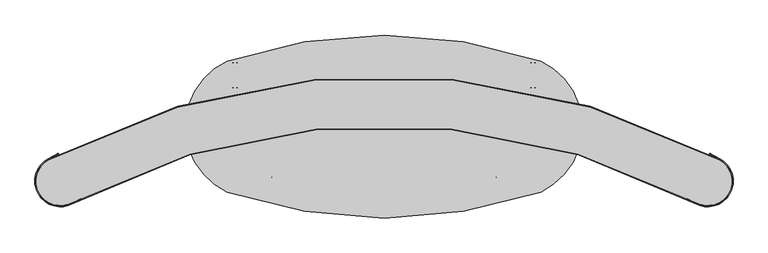
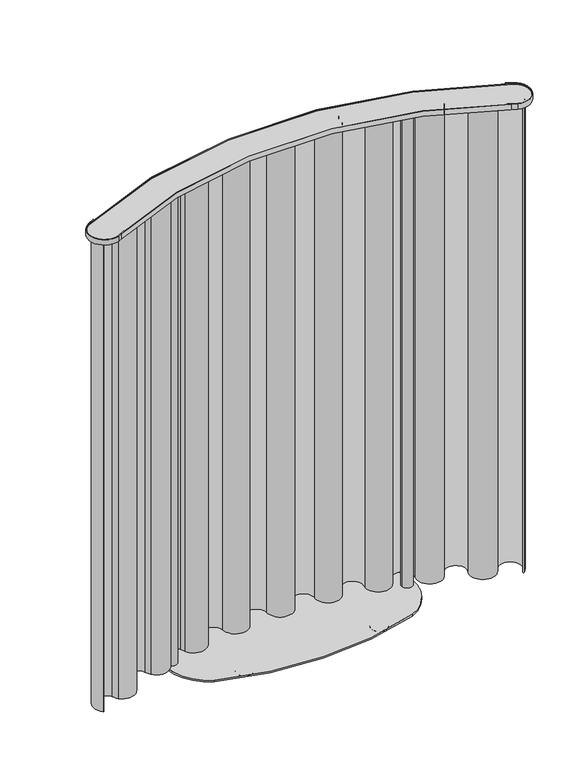
"""IFC4 building model written with IfcOpenShell, lengths in millimetres: furniture geometry."""

from ifc_helpers import new_model, si_unit, point, frame, frame_2d, origin, place, context, project, spatial, polyline, circle_curve, ellipse_curve, trimmed, segment, composite_curve, outline, extrude, source, transform, mapped, element, save
from ifc_brep_helpers import plane_surface, revolved_surface, advanced_brep


def furniture_fe4dd200(model_context):
    return source(origin(), model_context, "Body", "SolidModel", [
        advanced_brep(
        [(223.6676041, -204.1449041, 0.0006183), (276.0344658, -204.1449041, 0.0006183), (249.851035, -204.1449041, 0.0006183), (249.851035, -204.1449041, 6.17), (280.8142517, -204.1449041, 6.17), (218.8878183, -204.1449041, 6.17)],
        [
            (0, 1, circle_curve(frame((249.851035, -204.1449041, 0.0006183), z_axis=(0.0, 0.0, -1.0), x_axis=(1.0, 0.0, 0.0)), 26.1834309)),
            (1, 2),
            (2, 0),
            (1, 0, circle_curve(frame((249.851035, -204.1449041, 0.0006183), z_axis=(0.0, 0.0, -1.0), x_axis=(1.0, 0.0, 0.0)), 26.1834309)),
            (3, 4),
            (4, 5, circle_curve(frame((249.851035, -204.1449041, 6.17), z_axis=(0.0, 0.0, 1.0), x_axis=(1.0, 0.0, 0.0)), 30.9632167)),
            (5, 3),
            (5, 4, circle_curve(frame((249.851035, -204.1449041, 6.17), z_axis=(0.0, 0.0, 1.0), x_axis=(1.0, 0.0, 0.0)), 30.9632167)),
            (4, 1, circle_curve(frame((276.0344658, -204.1449041, 4.936901), z_axis=(0.0, 1.0, 0.0), x_axis=(-1.0, 0.0, 0.0)), 4.9362826)),
            (0, 5, circle_curve(frame((223.6676041, -204.1449041, 4.936901), z_axis=(0.0, 1.0, 0.0), x_axis=(1.0, 0.0, 0.0)), 4.9362826)),
        ],
        [
            plane_surface(frame((249.851035, -204.1449041, 0.0006183), z_axis=(0.0, 0.0, -1.0), x_axis=(1.0, 0.0, 0.0))),
            plane_surface(frame((249.851035, -204.1449041, 6.17), z_axis=(0.0, 0.0, 1.0), x_axis=(1.0, 0.0, 0.0))),
            revolved_surface(trimmed(ellipse_curve(frame((276.0344658, -204.1449041, 4.936901), z_axis=(0.0, -1.0, 0.0), x_axis=(-1.0, 0.0, 0.0)), 4.9362826, 4.9362826), [point((276.0344658, -204.1449041, 0.0006183))], [point((280.8142517, -204.1449041, 6.17))], True, "CARTESIAN"), (249.851035, -204.1449041, 6.17), (0.0, 0.0, 1.0)),
        ],
        [
            (0, [[1, 2, 3]]),
            (0, [[4, -3, -2]]),
            (1, [[5, 6, 7]]),
            (1, [[-7, 8, -5]]),
            (2, [[-6, 9, -1, 10]]),
            (2, [[-8, -10, -4, -9]]),
        ],
    ),
        advanced_brep(
        [(323.7526576, 62.0181648, 0.0006183), (376.1195193, 62.0181648, 0.0006183), (349.9360884, 62.0181648, 0.0006183), (349.9360884, 62.0181648, 6.17), (380.8993051, 62.0181648, 6.17), (318.9728717, 62.0181648, 6.17)],
        [
            (0, 1, circle_curve(frame((349.9360884, 62.0181648, 0.0006183), z_axis=(0.0, 0.0, -1.0), x_axis=(1.0, 0.0, 0.0)), 26.1834309)),
            (1, 2),
            (2, 0),
            (1, 0, circle_curve(frame((349.9360884, 62.0181648, 0.0006183), z_axis=(0.0, 0.0, -1.0), x_axis=(1.0, 0.0, 0.0)), 26.1834309)),
            (3, 4),
            (4, 5, circle_curve(frame((349.9360884, 62.0181648, 6.17), z_axis=(0.0, 0.0, 1.0), x_axis=(1.0, 0.0, 0.0)), 30.9632167)),
            (5, 3),
            (5, 4, circle_curve(frame((349.9360884, 62.0181648, 6.17), z_axis=(0.0, 0.0, 1.0), x_axis=(1.0, 0.0, 0.0)), 30.9632167)),
            (4, 1, circle_curve(frame((376.1195193, 62.0181648, 4.936901), z_axis=(0.0, 1.0, 0.0), x_axis=(-1.0, 0.0, 0.0)), 4.9362826)),
            (0, 5, circle_curve(frame((323.7526576, 62.0181648, 4.936901), z_axis=(0.0, 1.0, 0.0), x_axis=(1.0, 0.0, 0.0)), 4.9362826)),
        ],
        [
            plane_surface(frame((349.9360884, 62.0181648, 0.0006183), z_axis=(0.0, 0.0, -1.0), x_axis=(1.0, 0.0, 0.0))),
            plane_surface(frame((349.9360884, 62.0181648, 6.17), z_axis=(0.0, 0.0, 1.0), x_axis=(1.0, 0.0, 0.0))),
            revolved_surface(trimmed(ellipse_curve(frame((376.1195193, 62.0181648, 4.936901), z_axis=(0.0, -1.0, 0.0), x_axis=(-1.0, 0.0, 0.0)), 4.9362826, 4.9362826), [point((376.1195193, 62.0181648, 0.0006183))], [point((380.8993051, 62.0181648, 6.17))], True, "CARTESIAN"), (349.9360884, 62.0181648, 6.17), (0.0, 0.0, 1.0)),
        ],
        [
            (0, [[1, 2, 3]]),
            (0, [[4, -3, -2]]),
            (1, [[5, 6, 7]]),
            (1, [[-7, 8, -5]]),
            (2, [[-6, 9, -1, 10]]),
            (2, [[-8, -10, -4, -9]]),
        ],
    ),
        advanced_brep(
        [(-249.851035, -204.1449041, 0.0006183), (-276.0344658, -204.1449041, 0.0006183), (-223.6676041, -204.1449041, 0.0006183), (-218.8878183, -204.1449041, 6.17), (-280.8142517, -204.1449041, 6.17), (-249.851035, -204.1449041, 6.17)],
        [
            (0, 1),
            (1, 2, circle_curve(frame((-249.851035, -204.1449041, 0.0006183), z_axis=(0.0, 0.0, -1.0), x_axis=(-1.0, 0.0, 0.0)), 26.1834309)),
            (2, 0),
            (2, 1, circle_curve(frame((-249.851035, -204.1449041, 0.0006183), z_axis=(0.0, 0.0, -1.0), x_axis=(-1.0, 0.0, 0.0)), 26.1834309)),
            (3, 4, circle_curve(frame((-249.851035, -204.1449041, 6.17), z_axis=(0.0, 0.0, 1.0), x_axis=(-1.0, 0.0, 0.0)), 30.9632167)),
            (4, 5),
            (5, 3),
            (4, 3, circle_curve(frame((-249.851035, -204.1449041, 6.17), z_axis=(0.0, 0.0, 1.0), x_axis=(-1.0, 0.0, 0.0)), 30.9632167)),
            (1, 4, circle_curve(frame((-276.0344658, -204.1449041, 4.936901), z_axis=(0.0, 1.0, 0.0), x_axis=(1.0, 0.0, 0.0)), 4.9362826)),
            (3, 2, circle_curve(frame((-223.6676041, -204.1449041, 4.936901), z_axis=(0.0, 1.0, 0.0), x_axis=(-1.0, 0.0, 0.0)), 4.9362826)),
        ],
        [
            plane_surface(frame((-249.851035, -204.1449041, 0.0006183), z_axis=(0.0, 0.0, -1.0), x_axis=(-1.0, 0.0, 0.0))),
            plane_surface(frame((-249.851035, -204.1449041, 6.17), z_axis=(0.0, 0.0, 1.0), x_axis=(-1.0, 0.0, 0.0))),
            revolved_surface(trimmed(ellipse_curve(frame((-276.0344658, -204.1449041, 4.936901), z_axis=(0.0, -1.0, 0.0), x_axis=(1.0, 0.0, 0.0)), 4.9362826, 4.9362826), [point((-280.8142517, -204.1449041, 6.17))], [point((-276.0344658, -204.1449041, 0.0006183))], True, "CARTESIAN"), (-249.851035, -204.1449041, 6.17), (0.0, 0.0, -1.0)),
        ],
        [
            (0, [[1, 2, 3]]),
            (0, [[-3, 4, -1]]),
            (1, [[5, 6, 7]]),
            (1, [[8, -7, -6]]),
            (2, [[-2, 9, -5, 10]]),
            (2, [[-4, -10, -8, -9]]),
        ],
    ),
        advanced_brep(
        [(-349.9360884, 62.0181648, 0.0006183), (-376.1195193, 62.0181648, 0.0006183), (-323.7526576, 62.0181648, 0.0006183), (-318.9728717, 62.0181648, 6.17), (-380.8993051, 62.0181648, 6.17), (-349.9360884, 62.0181648, 6.17)],
        [
            (0, 1),
            (1, 2, circle_curve(frame((-349.9360884, 62.0181648, 0.0006183), z_axis=(0.0, 0.0, -1.0), x_axis=(-1.0, 0.0, 0.0)), 26.1834309)),
            (2, 0),
            (2, 1, circle_curve(frame((-349.9360884, 62.0181648, 0.0006183), z_axis=(0.0, 0.0, -1.0), x_axis=(-1.0, 0.0, 0.0)), 26.1834309)),
            (3, 4, circle_curve(frame((-349.9360884, 62.0181648, 6.17), z_axis=(0.0, 0.0, 1.0), x_axis=(-1.0, 0.0, 0.0)), 30.9632167)),
            (4, 5),
            (5, 3),
            (4, 3, circle_curve(frame((-349.9360884, 62.0181648, 6.17), z_axis=(0.0, 0.0, 1.0), x_axis=(-1.0, 0.0, 0.0)), 30.9632167)),
            (1, 4, circle_curve(frame((-376.1195193, 62.0181648, 4.936901), z_axis=(0.0, 1.0, 0.0), x_axis=(1.0, 0.0, 0.0)), 4.9362826)),
            (3, 2, circle_curve(frame((-323.7526576, 62.0181648, 4.936901), z_axis=(0.0, 1.0, 0.0), x_axis=(-1.0, 0.0, 0.0)), 4.9362826)),
        ],
        [
            plane_surface(frame((-349.9360884, 62.0181648, 0.0006183), z_axis=(0.0, 0.0, -1.0), x_axis=(-1.0, 0.0, 0.0))),
            plane_surface(frame((-349.9360884, 62.0181648, 6.17), z_axis=(0.0, 0.0, 1.0), x_axis=(-1.0, 0.0, 0.0))),
            revolved_surface(trimmed(ellipse_curve(frame((-376.1195193, 62.0181648, 4.936901), z_axis=(0.0, -1.0, 0.0), x_axis=(1.0, 0.0, 0.0)), 4.9362826, 4.9362826), [point((-380.8993051, 62.0181648, 6.17))], [point((-376.1195193, 62.0181648, 0.0006183))], True, "CARTESIAN"), (-349.9360884, 62.0181648, 6.17), (0.0, 0.0, -1.0)),
        ],
        [
            (0, [[1, 2, 3]]),
            (0, [[-3, 4, -1]]),
            (1, [[5, 6, 7]]),
            (1, [[8, -7, -6]]),
            (2, [[-2, 9, -5, 10]]),
            (2, [[-4, -10, -8, -9]]),
        ],
    ),
        extrude(outline(composite_curve([segment(trimmed(circle_curve(frame_2d((0.0, -1631.7782202)), 1573.9383732), [point((-740.9424229, -243.1507221))], [point((-711.7743513, -227.976498))], False, "CARTESIAN"), True, "CONTINUOUS"), segment(polyline([(-711.7743513, -227.976498), (-711.2076696, -229.1130917)]), True, "CONTINUOUS"), segment(trimmed(circle_curve(frame_2d((0.0, -1631.7782202)), 1572.6683732), [point((-711.2076696, -229.1130917))], [point((-740.4341068, -244.3189792))], True, "CARTESIAN"), True, "CONTINUOUS"), segment(trimmed(circle_curve(frame_2d((-760.0357532, -187.3644987)), 60.2331918), [point((-740.4341068, -244.3189792))], [point((-788.1138639, -134.0760657))], False, "CARTESIAN"), True, "CONTINUOUS"), segment(trimmed(circle_curve(frame_2d((0.0, -1629.808925)), 1690.6626656), [point((-788.1138639, -134.0760657))], [point((-764.641346, -121.941603))], False, "CARTESIAN"), True, "CONTINUOUS"), segment(polyline([(-764.641346, -121.941603), (-764.0746671, -123.0781987)]), True, "CONTINUOUS"), segment(trimmed(circle_curve(frame_2d((0.0, -1629.808925)), 1689.3926656), [point((-764.0746671, -123.0781987))], [point((-787.5218448, -135.1996374))], True, "CARTESIAN"), True, "CONTINUOUS"), segment(trimmed(circle_curve(frame_2d((-760.0357532, -187.3644987)), 58.9631918), [point((-787.5218448, -135.1996374))], [point((-740.9424229, -243.1507221))], True, "CARTESIAN"), True, "CONTINUOUS")], self_intersect=False)), frame((0.0, 0.0, 1883.9999737), z_axis=(0.0, 0.0, 1.0), x_axis=(1.0, 0.0, 0.0)), (0.0, 0.0, 1.0), 21.0000263),
        extrude(outline(composite_curve([segment(trimmed(circle_curve(frame_2d((760.0357532, -187.3644987)), 58.9631918), [point((740.9424229, -243.1507221))], [point((787.5218448, -135.1996374))], True, "CARTESIAN"), True, "CONTINUOUS"), segment(trimmed(circle_curve(frame_2d((0.0, -1629.808925)), 1689.3926656), [point((787.5218448, -135.1996374))], [point((764.0746671, -123.0781987))], True, "CARTESIAN"), True, "CONTINUOUS"), segment(polyline([(764.0746671, -123.0781987), (764.641346, -121.941603)]), True, "CONTINUOUS"), segment(trimmed(circle_curve(frame_2d((0.0, -1629.808925)), 1690.6626656), [point((764.641346, -121.941603))], [point((788.1138639, -134.0760657))], False, "CARTESIAN"), True, "CONTINUOUS"), segment(trimmed(circle_curve(frame_2d((760.0357532, -187.3644987)), 60.2331918), [point((788.1138639, -134.0760657))], [point((740.4341068, -244.3189792))], False, "CARTESIAN"), True, "CONTINUOUS"), segment(trimmed(circle_curve(frame_2d((0.0, -1631.7782202)), 1572.6683732), [point((740.4341068, -244.3189792))], [point((711.2076696, -229.1130917))], True, "CARTESIAN"), True, "CONTINUOUS"), segment(polyline([(711.2076696, -229.1130917), (711.7743513, -227.976498)]), True, "CONTINUOUS"), segment(trimmed(circle_curve(frame_2d((0.0, -1631.7782202)), 1573.9383732), [point((711.7743513, -227.976498))], [point((740.9424229, -243.1507221))], False, "CARTESIAN"), True, "CONTINUOUS")], self_intersect=False)), frame((0.0, 0.0, 1883.9999737), z_axis=(0.0, 0.0, 1.0), x_axis=(1.0, 0.0, 0.0)), (0.0, 0.0, 1.0), 21.0000263),
        extrude(outline(composite_curve([segment(trimmed(circle_curve(frame_2d((760.0357532, -187.3644987)), 58.9631918), [point((787.5218448, -135.1996374))], [point((740.9424229, -243.1507221))], False, "CARTESIAN"), True, "CONTINUOUS"), segment(trimmed(circle_curve(frame_2d((0.0, -1631.7782202)), 1573.9383732), [point((740.9424229, -243.1507221))], [point((-740.9424229, -243.1507221))], True, "CARTESIAN"), True, "CONTINUOUS"), segment(trimmed(circle_curve(frame_2d((-760.0357532, -187.3644987)), 58.9631918), [point((-740.9424229, -243.1507221))], [point((-787.5218448, -135.1996374))], False, "CARTESIAN"), True, "CONTINUOUS"), segment(trimmed(circle_curve(frame_2d((0.0, -1629.808925)), 1689.3926656), [point((-787.5218448, -135.1996374))], [point((787.5218448, -135.1996374))], False, "CARTESIAN"), True, "CONTINUOUS")], self_intersect=False), holes=[composite_curve([segment(trimmed(circle_curve(frame_2d((-760.0357532, -187.3644987)), 57.0581918), [point((-786.6338161, -136.884995))], [point((-741.7029831, -241.3973293))], True, "CARTESIAN"), True, "CONTINUOUS"), segment(trimmed(circle_curve(frame_2d((0.0, -1631.7782202)), 1575.8433732), [point((-741.7029831, -241.3973293))], [point((741.7029831, -241.3973293))], False, "CARTESIAN"), True, "CONTINUOUS"), segment(trimmed(circle_curve(frame_2d((760.0357532, -187.3644987)), 57.0581918), [point((741.7029831, -241.3973293))], [point((786.6338161, -136.884995))], True, "CARTESIAN"), True, "CONTINUOUS"), segment(trimmed(circle_curve(frame_2d((0.0, -1629.808925)), 1687.4876656), [point((786.6338161, -136.884995))], [point((-786.6338161, -136.884995))], True, "CARTESIAN"), True, "CONTINUOUS")], self_intersect=False)]), frame((0.0, 0.0, 1883.9999737), z_axis=(0.0, 0.0, 1.0), x_axis=(1.0, 0.0, 0.0)), (0.0, 0.0, 1.0), 20.0199989),
        extrude(outline(composite_curve([segment(trimmed(circle_curve(frame_2d((-436.9991265, -58.5034102)), 20.32), [point((-457.3191265, -58.5034102))], [point((-416.6791265, -58.5034102))], False, "CARTESIAN"), True, "CONTINUOUS"), segment(trimmed(circle_curve(frame_2d((-436.9991265, -58.5034102)), 20.32), [point((-416.6791265, -58.5034102))], [point((-457.3191265, -58.5034102))], False, "CARTESIAN"), True, "CONTINUOUS")], self_intersect=False)), frame((0.0, 0.0, 12.5200002), z_axis=(0.0, 0.0, 1.0), x_axis=(1.0, 0.0, 0.0)), (0.0, 0.0, 1.0), 1871.4799734),
        extrude(outline(composite_curve([segment(trimmed(circle_curve(frame_2d((436.9991265, -58.5034102)), 20.32), [point((457.3191265, -58.5034102))], [point((416.6791265, -58.5034102))], False, "CARTESIAN"), True, "CONTINUOUS"), segment(trimmed(circle_curve(frame_2d((436.9991265, -58.5034102)), 20.32), [point((416.6791265, -58.5034102))], [point((457.3191265, -58.5034102))], False, "CARTESIAN"), True, "CONTINUOUS")], self_intersect=False)), frame((0.0, 0.0, 12.5200002), z_axis=(0.0, 0.0, 1.0), x_axis=(1.0, 0.0, 0.0)), (0.0, 0.0, 1.0), 1871.4799734),
        extrude(outline(composite_curve([segment(trimmed(circle_curve(frame_2d((760.0357532, -187.3644987)), 57.0581918), [point((786.6338161, -136.884995))], [point((741.7029831, -241.3973293))], False, "CARTESIAN"), True, "CONTINUOUS"), segment(trimmed(circle_curve(frame_2d((0.0, -1631.7782202)), 1575.8433732), [point((741.7029831, -241.3973293))], [point((-741.7029831, -241.3973293))], True, "CARTESIAN"), True, "CONTINUOUS"), segment(trimmed(circle_curve(frame_2d((-760.0357532, -187.3644987)), 57.0581918), [point((-741.7029831, -241.3973293))], [point((-786.6338161, -136.884995))], False, "CARTESIAN"), True, "CONTINUOUS"), segment(trimmed(circle_curve(frame_2d((0.0, -1629.808925)), 1687.4876656), [point((-786.6338161, -136.884995))], [point((786.6338161, -136.884995))], False, "CARTESIAN"), True, "CONTINUOUS")], self_intersect=False)), frame((0.0, 0.0, 1883.9999737), z_axis=(0.0, 0.0, 1.0), x_axis=(1.0, 0.0, 0.0)), (0.0, 0.0, 1.0), 17.0200367),
        extrude(outline(composite_curve([segment(trimmed(circle_curve(frame_2d((296.8203978, -58.7911865)), 169.2621942), [point((368.1176468, 94.7223069))], [point((368.1176468, -212.3046799))], False, "CARTESIAN"), True, "CONTINUOUS"), segment(trimmed(circle_curve(frame_2d((0.0, 866.1870115)), 1139.5854203), [point((368.1176468, -212.3046799))], [point((-368.1176468, -212.3046799))], False, "CARTESIAN"), True, "CONTINUOUS"), segment(trimmed(circle_curve(frame_2d((-297.623049, -58.7911865)), 168.925667), [point((-368.1176468, -212.3046799))], [point((-368.1176468, 94.7223069))], False, "CARTESIAN"), True, "CONTINUOUS"), segment(trimmed(circle_curve(frame_2d((0.0, -972.9486791)), 1129.3502275), [point((-368.1176468, 94.7223069))], [point((368.1176468, 94.7223069))], False, "CARTESIAN"), True, "CONTINUOUS")], self_intersect=False)), frame((0.0, 0.0, 6.17), z_axis=(0.0, 0.0, 1.0), x_axis=(1.0, 0.0, 0.0)), (0.0, 0.0, 1.0), 6.3500002),
        extrude(outline(composite_curve([segment(trimmed(circle_curve(frame_2d((-749.6663834, -180.1706573)), 42.7488556), [point((-713.9815983, -156.6321617))], [point((-777.8156047, -212.3434097))], True, "CARTESIAN"), True, "CONTINUOUS"), segment(trimmed(circle_curve(frame_2d((-780.3848666, -213.3733818)), 2.7680226), [point((-777.8156047, -212.3434097))], [point((-781.4148388, -215.9426438))], False, "CARTESIAN"), True, "CONTINUOUS"), segment(trimmed(circle_curve(frame_2d((-749.6663834, -180.1706573)), 47.8288556), [point((-781.4148388, -215.9426438))], [point((-709.3152659, -154.4921303))], False, "CARTESIAN"), True, "CONTINUOUS"), segment(trimmed(circle_curve(frame_2d((-669.1098765, -143.0749925)), 41.7950281), [point((-709.3152659, -154.4921303))], [point((-698.4543409, -172.8361548))], True, "CARTESIAN"), True, "CONTINUOUS"), segment(trimmed(circle_curve(frame_2d((-669.1098765, -143.0749925)), 41.7950281), [point((-698.4543409, -172.8361548))], [point((-629.2582055, -130.4786163))], True, "CARTESIAN"), True, "CONTINUOUS"), segment(trimmed(circle_curve(frame_2d((-1060.4817436, -266.780402)), 452.2520498), [point((-629.2582055, -130.4786163))], [point((-632.6577001, -120.1567191))], True, "CARTESIAN"), True, "CONTINUOUS"), segment(trimmed(circle_curve(frame_2d((-590.7771466, -106.3318461)), 44.1033771), [point((-632.6577001, -120.1567191))], [point((-550.2974521, -88.8246415))], False, "CARTESIAN"), True, "CONTINUOUS"), segment(trimmed(circle_curve(frame_2d((-494.5878857, -71.6150723)), 58.3071614), [point((-550.2974521, -88.8246415))], [point((-540.0689782, -108.1006214))], True, "CARTESIAN"), True, "CONTINUOUS"), segment(trimmed(circle_curve(frame_2d((-507.8251911, -82.2342182)), 41.3368192), [point((-540.0689782, -108.1006214))], [point((-466.4921314, -81.6767329))], True, "CARTESIAN"), True, "CONTINUOUS"), segment(trimmed(circle_curve(frame_2d((-709.5113872, -113.5351573)), 245.0985882), [point((-466.4921314, -81.6767329))], [point((-469.9248386, -61.8475994))], True, "CARTESIAN"), True, "CONTINUOUS"), segment(trimmed(circle_curve(frame_2d((-426.9525192, -52.5769026)), 43.9609605), [point((-469.9248386, -61.8475994))], [point((-386.622167, -35.0832255))], False, "CARTESIAN"), True, "CONTINUOUS"), segment(trimmed(circle_curve(frame_2d((-215.3806489, 21.8935146)), 180.4716223), [point((-386.622167, -35.0832255))], [point((-380.4048986, -51.1612831))], True, "CARTESIAN"), True, "CONTINUOUS"), segment(trimmed(circle_curve(frame_2d((-341.7525428, -34.050222)), 42.2704745), [point((-380.4048986, -51.1612831))], [point((-302.2916934, -49.2039137))], True, "CARTESIAN"), True, "CONTINUOUS"), segment(trimmed(circle_curve(frame_2d((-377.2997234, -33.3073682)), 76.674016), [point((-302.2916934, -49.2039137))], [point((-301.7934036, -19.976937))], True, "CARTESIAN"), True, "CONTINUOUS"), segment(trimmed(circle_curve(frame_2d((-257.886434, -16.1311782)), 44.0750704), [point((-301.7934036, -19.976937))], [point((-214.5629125, -8.0265925))], False, "CARTESIAN"), True, "CONTINUOUS"), segment(trimmed(circle_curve(frame_2d((-171.9999574, -8.7226582)), 42.5686463), [point((-214.5629125, -8.0265925))], [point((-130.5073611, 0.7880777))], True, "CARTESIAN"), True, "CONTINUOUS"), segment(trimmed(circle_curve(frame_2d((-86.6181763, 2.2055983)), 43.9120702), [point((-130.5073611, 0.7880777))], [point((-42.8229595, 5.4069881))], False, "CARTESIAN"), True, "CONTINUOUS"), segment(trimmed(circle_curve(frame_2d((-0.2991804, 0.6496924)), 42.78906), [point((-42.8229595, 5.4069881))], [point((42.2216454, 5.4333126))], True, "CARTESIAN"), True, "CONTINUOUS"), segment(trimmed(circle_curve(frame_2d((86.4209731, 1.7415975)), 44.3532336), [point((42.2216454, 5.4333126))], [point((130.7159697, -0.5305383))], False, "CARTESIAN"), True, "CONTINUOUS"), segment(trimmed(circle_curve(frame_2d((172.3474012, -7.4336403)), 42.1998685), [point((130.7159697, -0.5305383))], [point((214.5433137, -8.0114544))], True, "CARTESIAN"), True, "CONTINUOUS"), segment(trimmed(circle_curve(frame_2d((258.3697295, -16.8089576)), 44.7006799), [point((214.5433137, -8.0114544))], [point((300.5824617, -31.5139235))], False, "CARTESIAN"), True, "CONTINUOUS"), segment(trimmed(circle_curve(frame_2d((342.4717723, -35.8747357)), 42.1156863), [point((300.5824617, -31.5139235))], [point((384.3957765, -39.8883254))], True, "CARTESIAN"), True, "CONTINUOUS"), segment(trimmed(circle_curve(frame_2d((426.6809146, -52.7492316)), 44.1976901), [point((384.3957765, -39.8883254))], [point((469.7400968, -62.7163091))], False, "CARTESIAN"), True, "CONTINUOUS"), segment(trimmed(circle_curve(frame_2d((508.819015, -79.8429335)), 42.6671198), [point((469.7400968, -62.7163091))], [point((550.6405019, -88.2955273))], True, "CARTESIAN"), True, "CONTINUOUS"), segment(trimmed(circle_curve(frame_2d((590.8071288, -106.5121)), 44.1044378), [point((550.6405019, -88.2955273))], [point((632.3859554, -121.2227294))], False, "CARTESIAN"), True, "CONTINUOUS"), segment(trimmed(circle_curve(frame_2d((669.2086729, -142.9168518)), 42.7381267), [point((632.3859554, -121.2227294))], [point((710.1810519, -155.0746326))], True, "CARTESIAN"), True, "CONTINUOUS"), segment(trimmed(circle_curve(frame_2d((750.5081103, -179.9969043)), 47.4066584), [point((710.1810519, -155.0746326))], [point((781.6444296, -215.7449235))], False, "CARTESIAN"), True, "CONTINUOUS"), segment(trimmed(circle_curve(frame_2d((779.9827547, -213.8049396)), 2.5543495), [point((781.6444296, -215.7449235))], [point((778.0427708, -212.1432647))], False, "CARTESIAN"), True, "CONTINUOUS"), segment(trimmed(circle_curve(frame_2d((750.5081103, -179.9969043)), 42.3266584), [point((778.0427708, -212.1432647))], [point((714.842512, -157.2041179))], True, "CARTESIAN"), True, "CONTINUOUS"), segment(trimmed(circle_curve(frame_2d((669.2086729, -142.9168518)), 47.8181267), [point((714.842512, -157.2041179))], [point((627.7481655, -119.0925036))], False, "CARTESIAN"), True, "CONTINUOUS"), segment(trimmed(circle_curve(frame_2d((590.8071288, -106.5121)), 39.0244378), [point((627.7481655, -119.0925036))], [point((555.4948881, -89.9002847))], True, "CARTESIAN"), True, "CONTINUOUS"), segment(trimmed(circle_curve(frame_2d((508.819015, -79.8429335)), 47.7471198), [point((555.4948881, -89.9002847))], [point((464.8888475, -61.1365753))], False, "CARTESIAN"), True, "CONTINUOUS"), segment(trimmed(circle_curve(frame_2d((426.6809146, -52.7492316)), 39.1176901), [point((464.8888475, -61.1365753))], [point((389.3982021, -40.9089179))], True, "CARTESIAN"), True, "CONTINUOUS"), segment(trimmed(circle_curve(frame_2d((342.4717723, -35.8747357)), 47.1956863), [point((389.3982021, -40.9089179))], [point((295.5986176, -30.3665444))], False, "CARTESIAN"), True, "CONTINUOUS"), segment(trimmed(circle_curve(frame_2d((258.3697295, -16.8089576)), 39.6206799), [point((295.5986176, -30.3665444))], [point((219.6134153, -8.5781383))], True, "CARTESIAN"), True, "CONTINUOUS"), segment(trimmed(circle_curve(frame_2d((172.3474012, -7.4336403)), 47.2798685), [point((219.6134153, -8.5781383))], [point((125.6555715, 0.0))], False, "CARTESIAN"), True, "CONTINUOUS"), segment(trimmed(circle_curve(frame_2d((86.4209731, 1.7415975)), 39.2732336), [point((125.6555715, 0.0))], [point((47.3258196, 5.4773498))], True, "CARTESIAN"), True, "CONTINUOUS"), segment(trimmed(circle_curve(frame_2d((-0.2991804, 0.6496924)), 47.86906), [point((47.3258196, 5.4773498))], [point((-47.9241804, 5.4773498))], False, "CARTESIAN"), True, "CONTINUOUS"), segment(trimmed(circle_curve(frame_2d((-86.6181763, 2.2055983)), 38.8320702), [point((-47.9241804, 5.4773498))], [point((-125.4421935, 1.4148029))], True, "CARTESIAN"), True, "CONTINUOUS"), segment(trimmed(circle_curve(frame_2d((-171.9999574, -8.7226582)), 47.6486463), [point((-125.4421935, 1.4148029))], [point((-219.6480191, -8.4866283))], False, "CARTESIAN"), True, "CONTINUOUS"), segment(trimmed(circle_curve(frame_2d((-257.886434, -16.1311782)), 38.9950704), [point((-219.6480191, -8.4866283))], [point((-296.7506811, -19.3227008))], True, "CARTESIAN"), True, "CONTINUOUS"), segment(trimmed(circle_curve(frame_2d((-377.2997234, -33.3073682)), 81.754016), [point((-296.7506811, -19.3227008))], [point((-297.4052433, -50.6449337))], False, "CARTESIAN"), True, "CONTINUOUS"), segment(trimmed(circle_curve(frame_2d((-341.7525428, -34.050222)), 47.3504745), [point((-297.4052433, -50.6449337))], [point((-385.0500787, -53.2176639))], False, "CARTESIAN"), True, "CONTINUOUS"), segment(trimmed(circle_curve(frame_2d((-215.3806489, 21.8935146)), 185.5516223), [point((-385.0500787, -53.2176639))], [point((-391.3688914, -36.9073615))], False, "CARTESIAN"), True, "CONTINUOUS"), segment(trimmed(circle_curve(frame_2d((-426.9525192, -52.5769026)), 38.8809605), [point((-391.3688914, -36.9073615))], [point((-464.9590831, -60.7763048))], True, "CARTESIAN"), True, "CONTINUOUS"), segment(trimmed(circle_curve(frame_2d((-709.5113872, -113.5351573)), 250.1785882), [point((-464.9590831, -60.7763048))], [point((-461.4176931, -81.3040398))], False, "CARTESIAN"), True, "CONTINUOUS"), segment(trimmed(circle_curve(frame_2d((-507.8251911, -82.2342182)), 46.4168192), [point((-461.4176931, -81.3040398))], [point((-544.0315095, -111.2794177))], False, "CARTESIAN"), True, "CONTINUOUS"), segment(trimmed(circle_curve(frame_2d((-494.5878857, -71.6150723)), 63.3871614), [point((-544.0315095, -111.2794177))], [point((-555.0648246, -90.6011747))], False, "CARTESIAN"), True, "CONTINUOUS"), segment(trimmed(circle_curve(frame_2d((-590.7771466, -106.3318461)), 39.0233771), [point((-555.0648246, -90.6011747))], [point((-627.8424476, -118.5378867))], True, "CARTESIAN"), True, "CONTINUOUS"), segment(trimmed(circle_curve(frame_2d((-1060.4817436, -266.780402)), 457.3320498), [point((-627.8424476, -118.5378867))], [point((-624.4144119, -128.9475827))], False, "CARTESIAN"), True, "CONTINUOUS"), segment(trimmed(circle_curve(frame_2d((-669.1098765, -143.0749925)), 46.8750281), [point((-624.4144119, -128.9475827))], [point((-702.0210302, -176.4534918))], False, "CARTESIAN"), True, "CONTINUOUS"), segment(trimmed(circle_curve(frame_2d((-669.1098765, -143.0749925)), 46.8750281), [point((-702.0210302, -176.4534918))], [point((-713.9815983, -156.6321617))], False, "CARTESIAN"), True, "CONTINUOUS")], self_intersect=False)), frame((0.0, 0.0, 35.5600002), z_axis=(0.0, 0.0, 1.0), x_axis=(1.0, 0.0, 0.0)), (0.0, 0.0, 1.0), 1848.4399735),
    ])


if __name__ == "__main__":
    model = new_model("IFC4")
    model_context = context("Model", 3, world=origin())
    ifc_project = project(units=[si_unit("LENGTHUNIT", "METRE", prefix="MILLI")], contexts=[model_context])
    site = spatial("IfcSite", under=ifc_project)
    building = spatial("IfcBuilding", under=site)
    placement = place(None, origin())
    furniture_shape = furniture_fe4dd200(model_context)
    element("IfcFurniture", 1, at=placement, inside=building, context=model_context, shape_type="MappedRepresentation", body=[
        mapped(furniture_shape, transform((0.0, 0.0, 0.0), x_axis=(1.0, 0.0, 0.0), y_axis=(0.0, 1.0, 0.0), z_axis=(0.0, 0.0, 1.0))),
    ])
    save(model, "model.ifc")
